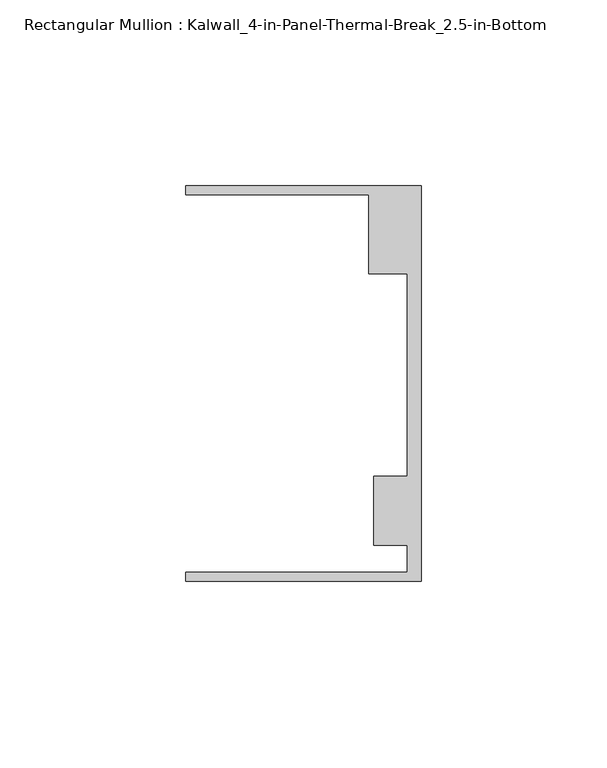
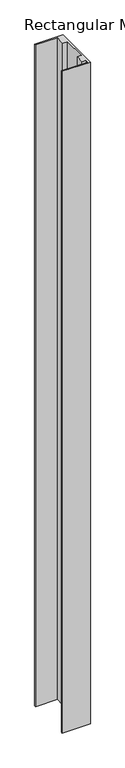
"""IFC4 building model written with IfcOpenShell, lengths in millimetres: member geometry, Rectangular Mullion : Kalwall_4-in-Panel-Thermal-Break_2.5-in-Bottom."""

from ifc_helpers import new_model, si_unit, frame, origin, place, context, project, spatial, polyline, outline, extrude, source, transform, mapped, element, save


def rectangular_mullion_kalwall_4_in_panel_thermal_break_2_5_in_3db23677(model_context):
    return source(origin(), model_context, "Body", "SweptSolid", [
        extrude(outline(polyline([(0.0, -53.3026386), (-63.5, -53.3026386), (-63.5, -50.7626386), (-3.7084, -50.7626386), (-3.7084, -43.6138568), (-12.8272539, -43.6138568), (-12.8272539, -24.9129886), (-3.7084, -24.9129886), (-3.7084, 29.5648614), (-14.1732, 29.5648614), (-14.1732, 50.8373614), (-63.5, 50.8373614), (-63.5, 53.3773614), (0.0, 53.3773614), (0.0, -53.3026386)])), frame((0.0, 0.0, -1571.6250003), z_axis=(0.0, 0.0, 1.0), x_axis=(1.0, 0.0, 0.0)), (0.0, 0.0, 1.0), 1571.6250003),
    ])


if __name__ == "__main__":
    model = new_model("IFC4")
    model_context = context("Model", 3, world=origin())
    ifc_project = project(units=[si_unit("LENGTHUNIT", "METRE", prefix="MILLI")], contexts=[model_context])
    site = spatial("IfcSite", under=ifc_project)
    building = spatial("IfcBuilding", under=site)
    placement = place(None, origin())
    rectangular_mullion_kalwall_4_in_panel_thermal_break_2_5_in_shape = rectangular_mullion_kalwall_4_in_panel_thermal_break_2_5_in_3db23677(model_context)
    element("IfcMember", 1, ObjectType="Rectangular Mullion : Kalwall_4-in-Panel-Thermal-Break_2.5-in-Bottom", at=placement, inside=building, context=model_context, shape_type="MappedRepresentation", body=[
        mapped(rectangular_mullion_kalwall_4_in_panel_thermal_break_2_5_in_shape, transform((0.0, 0.0, 0.0), x_axis=(1.0, 0.0, 0.0), y_axis=(0.0, 1.0, 0.0), z_axis=(0.0, 0.0, 1.0))),
    ])
    save(model, "model.ifc")
